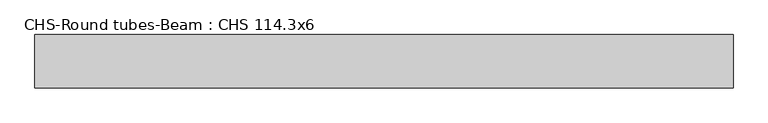
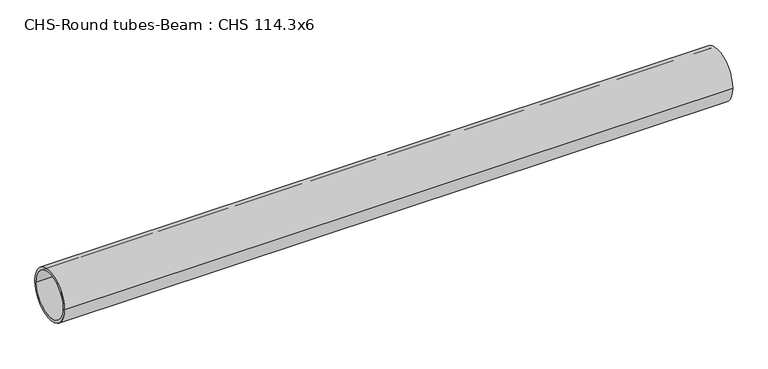
"""IFC4 building model written with IfcOpenShell, lengths in millimetres: beam geometry, CHS-Round tubes-Beam : CHS 114.3x6."""

from ifc_helpers import new_model, si_unit, point, frame, origin, origin_2d, place, context, project, spatial, circle_curve, trimmed, segment, composite_curve, outline, extrude, source, transform, mapped, element, save


def chs_round_tubes_beam_chs_114_3x6_f49f1334(model_context):
    return source(origin(), model_context, "Body", "SweptSolid", [
        extrude(outline(composite_curve([segment(trimmed(circle_curve(origin_2d(), 57.15), [point((57.15, 0.0))], [point((-57.15, 0.0))], False, "CARTESIAN"), True, "CONTINUOUS"), segment(trimmed(circle_curve(origin_2d(), 57.15), [point((-57.15, 0.0))], [point((57.15, 0.0))], False, "CARTESIAN"), True, "CONTINUOUS")], self_intersect=False), holes=[composite_curve([segment(trimmed(circle_curve(origin_2d(), 51.15), [point((51.15, 0.0))], [point((-51.15, 0.0))], True, "CARTESIAN"), True, "CONTINUOUS"), segment(trimmed(circle_curve(origin_2d(), 51.15), [point((-51.15, 0.0))], [point((51.15, 0.0))], True, "CARTESIAN"), True, "CONTINUOUS")], self_intersect=False)]), frame((-746.4999551, 0.0, 0.0), z_axis=(1.0, 0.0, 0.0), x_axis=(0.0, 1.0, 0.0)), (0.0, 0.0, 1.0), 1497.1500852),
    ])


if __name__ == "__main__":
    model = new_model("IFC4")
    model_context = context("Model", 3, world=origin())
    ifc_project = project(units=[si_unit("LENGTHUNIT", "METRE", prefix="MILLI")], contexts=[model_context])
    site = spatial("IfcSite", under=ifc_project)
    building = spatial("IfcBuilding", under=site)
    placement = place(None, origin())
    chs_round_tubes_beam_chs_114_3x6_shape = chs_round_tubes_beam_chs_114_3x6_f49f1334(model_context)
    element("IfcBeam", 1, ObjectType="CHS-Round tubes-Beam : CHS 114.3x6", at=placement, inside=building, context=model_context, shape_type="MappedRepresentation", body=[
        mapped(chs_round_tubes_beam_chs_114_3x6_shape, transform((0.0, 0.0, 0.0), x_axis=(1.0, 0.0, 0.0), y_axis=(0.0, 1.0, 0.0), z_axis=(0.0, 0.0, 1.0))),
    ])
    save(model, "model.ifc")
